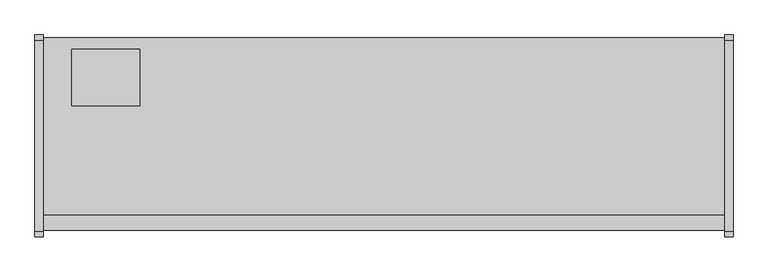
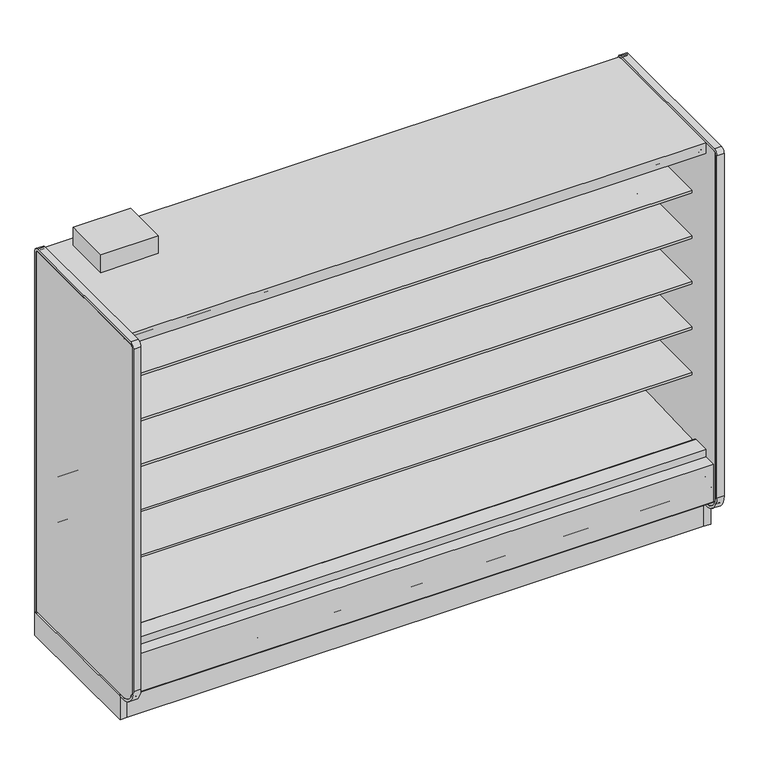
"""IFC4 building model written with IfcOpenShell, lengths in millimetres: proxy geometry."""

import ifcopenshell
import ifcopenshell.guid

model = None  # the IFC model being written
_history = None  # IfcOwnerHistory: only IFC2X3 demands one
_inside = {}  # id of a spatial element -> (the spatial element, [elements in it])
_under = {}  # id of a project, library or spatial element -> (it, [spatial elements below it])
_declared = {}  # id of a project -> (the project, [libraries it declares])
_typed = {}  # id of a type object -> (the type object, [elements of that type])
_made_of = {}  # id of a material, layer set ... -> (it, [elements and type objects made of it])


def new_model(schema):
    """Start an empty IFC model of exactly this schema.

    Asked for "IFC4X3", IfcOpenShell would pick the latest addendum, in which some entities
    have other attributes; the version numbers below select the first issue.
    IFC2X3 requires an IfcOwnerHistory on every rooted entity: one is made here for all.
    """
    global model, _history
    if schema == "IFC4X3":
        model = ifcopenshell.file(schema_version=(4, 3, 0, 0))
    else:
        model = ifcopenshell.file(schema=schema)
    _inside.clear()
    _under.clear()
    _declared.clear()
    _typed.clear()
    _made_of.clear()
    _history = None
    if model.schema == "IFC2X3":
        org = make("IfcOrganization", Name="unknown")
        user = make(
            "IfcPersonAndOrganization",
            ThePerson=make("IfcPerson", FamilyName="unknown"),
            TheOrganization=org,
        )
        app = make(
            "IfcApplication",
            ApplicationDeveloper=org,
            Version="unknown",
            ApplicationFullName="unknown",
            ApplicationIdentifier="unknown",
        )
        _history = make(
            "IfcOwnerHistory",
            OwningUser=user,
            OwningApplication=app,
            ChangeAction="ADDED",
            CreationDate=0,
        )
    return model


def make(cls, **values):
    """One entity of the class cls with the attributes given. An attribute that is None is left unset."""
    return model.create_entity(
        cls, **{name: value for name, value in values.items() if value is not None}
    )


def rooted(cls, **values):
    """An entity with a GlobalId (a new one), such as an element, a storey or a relation."""
    return make(cls, GlobalId=ifcopenshell.guid.new(), OwnerHistory=_history, **values)


def si_unit(unit_type, name, prefix=None):
    """IfcSIUnit, for example si_unit("LENGTHUNIT", "METRE", prefix="MILLI")."""
    return make("IfcSIUnit", UnitType=unit_type, Prefix=prefix, Name=name)


def assignment(units):
    """IfcUnitAssignment: the units of a project."""
    return None if units is None else make("IfcUnitAssignment", Units=units)


def point(xyz):
    """IfcCartesianPoint."""
    return None if xyz is None else make("IfcCartesianPoint", Coordinates=xyz)


def direction(xyz):
    """IfcDirection."""
    return None if xyz is None else make("IfcDirection", DirectionRatios=xyz)


def frame(location, z_axis=None, x_axis=None):
    """IfcAxis2Placement3D, a coordinate frame: its origin and axes. An axis left out is left unset."""
    return make(
        "IfcAxis2Placement3D",
        Location=point(location),
        Axis=direction(z_axis),
        RefDirection=direction(x_axis),
    )


def frame_2d(location, x_axis=None):
    """IfcAxis2Placement2D, a coordinate frame in the plane: its origin and x axis."""
    return make(
        "IfcAxis2Placement2D", Location=point(location), RefDirection=direction(x_axis)
    )


def origin():
    """The frame at (0, 0, 0) with its axes left unset."""
    return frame((0.0, 0.0, 0.0))


def origin_with_axes():
    """The frame at (0, 0, 0) with the z axis (0, 0, 1) and the x axis (1, 0, 0) written out."""
    return frame((0.0, 0.0, 0.0), z_axis=(0.0, 0.0, 1.0), x_axis=(1.0, 0.0, 0.0))


def place(relative_to, where):
    """IfcLocalPlacement: puts the frame where relative to a parent placement (None: the world)."""
    return make(
        "IfcLocalPlacement", PlacementRelTo=relative_to, RelativePlacement=where
    )


def context(
    kind, dimensions, precision=None, world=None, true_north=None, identifier=None
):
    """IfcGeometricRepresentationContext, for example the 3D "Model" context."""
    return make(
        "IfcGeometricRepresentationContext",
        ContextIdentifier=identifier,
        ContextType=kind,
        CoordinateSpaceDimension=dimensions,
        Precision=precision,
        WorldCoordinateSystem=world,
        TrueNorth=true_north,
    )


def project(units=None, contexts=None):
    """IfcProject with its units and contexts."""
    return rooted(
        "IfcProject",
        Name="project",
        RepresentationContexts=contexts,
        UnitsInContext=assignment(units),
    )


def spatial(cls, under=None, at=None, **own):
    """A site, building, storey or space (cls), placed at a placement, below another one or the project."""
    s = rooted(cls, ObjectPlacement=at, **own)
    if under is not None:
        _under.setdefault(under.id(), (under, []))[1].append(s)
    return s


def polyline(points):
    """IfcPolyline through the points."""
    return make("IfcPolyline", Points=[point(p) for p in points])


def circle_curve(where, radius):
    """IfcCircle in the frame where."""
    return make("IfcCircle", Position=where, Radius=radius)


def trimmed(basis, trim1, trim2, sense, master):
    """IfcTrimmedCurve: the piece of a basis curve between two trims."""
    return make(
        "IfcTrimmedCurve",
        BasisCurve=basis,
        Trim1=trim1,
        Trim2=trim2,
        SenseAgreement=sense,
        MasterRepresentation=master,
    )


def segment(curve, same_sense, transition):
    """IfcCompositeCurveSegment."""
    return make(
        "IfcCompositeCurveSegment",
        Transition=transition,
        SameSense=same_sense,
        ParentCurve=curve,
    )


def composite_curve(segments, self_intersect=None):
    """IfcCompositeCurve: segments joined end to end."""
    return make("IfcCompositeCurve", Segments=segments, SelfIntersect=self_intersect)


def outline(outer, holes=None, kind="AREA"):
    """IfcArbitraryClosedProfileDef: a profile drawn as a closed curve; with holes, ...WithVoids."""
    if holes is None:
        return make("IfcArbitraryClosedProfileDef", ProfileType=kind, OuterCurve=outer)
    return make(
        "IfcArbitraryProfileDefWithVoids",
        ProfileType=kind,
        OuterCurve=outer,
        InnerCurves=holes,
    )


def extrude(swept, where, along, depth):
    """IfcExtrudedAreaSolid: the profile swept, set in the frame where, extruded along a direction by depth."""
    return make(
        "IfcExtrudedAreaSolid",
        SweptArea=swept,
        Position=where,
        ExtrudedDirection=direction(along),
        Depth=depth,
    )


def shape(context_of_items, identifier, shape_type, items):
    """IfcShapeRepresentation: the items that make up one representation, for example the "Body"."""
    return make(
        "IfcShapeRepresentation",
        ContextOfItems=context_of_items,
        RepresentationIdentifier=identifier,
        RepresentationType=shape_type,
        Items=items,
    )


def source(mapping_origin, context_of_items, identifier, shape_type, items):
    """IfcRepresentationMap: a shape defined once, which mapped items show again and again."""
    return make(
        "IfcRepresentationMap",
        MappingOrigin=mapping_origin,
        MappedRepresentation=shape(context_of_items, identifier, shape_type, items),
    )


def transform(
    local_origin,
    x_axis=None,
    y_axis=None,
    z_axis=None,
    scale=None,
    scale2=None,
    scale3=None,
    uniform=True,
):
    """IfcCartesianTransformationOperator3D, or its non-uniform kind. x_axis, y_axis, z_axis: its Axis1, 2, 3."""
    if uniform:
        return make(
            "IfcCartesianTransformationOperator3D",
            Axis1=direction(x_axis),
            Axis2=direction(y_axis),
            LocalOrigin=point(local_origin),
            Scale=scale,
            Axis3=direction(z_axis),
        )
    return make(
        "IfcCartesianTransformationOperator3DnonUniform",
        Axis1=direction(x_axis),
        Axis2=direction(y_axis),
        LocalOrigin=point(local_origin),
        Scale=scale,
        Axis3=direction(z_axis),
        Scale2=scale2,
        Scale3=scale3,
    )


def mapped(mapping_source, mapping_target):
    """IfcMappedItem: shows the shape of a source again, moved by a transform."""
    return make(
        "IfcMappedItem", MappingSource=mapping_source, MappingTarget=mapping_target
    )


def made_of(thing, what):
    """Note that an element or type object is made of a material, layer set ...; save() writes the relation."""
    if what is not None:
        _made_of.setdefault(what.id(), (what, []))[1].append(thing)
    return thing


def element(
    cls,
    number,
    at=None,
    inside=None,
    cuts=None,
    type_object=None,
    material=None,
    context=None,
    identifier="Body",
    shape_type=None,
    held_by="IfcProductDefinitionShape",
    body=None,
    shapes=None,
    **own,
):
    """One element of the class cls, such as IfcWall. Its Tag is "e" and its number.

    at: its placement. inside: the storey or other place that contains it. cuts: it is an
    opening in that element (IfcRelVoidsElement). A single representation is given by context,
    identifier, shape_type and body (its items); several are given by shapes. held_by: the class
    of the entity that holds the representations. save() writes the other relations.
    """
    e = rooted(cls, Tag="e%d" % number, ObjectPlacement=at, **own)
    if body is not None:
        shapes = [shape(context, identifier, shape_type, body)]
    if shapes is not None:
        e.Representation = make(held_by, Representations=shapes)
    if inside is not None:
        _inside.setdefault(inside.id(), (inside, []))[1].append(e)
    if cuts is not None:
        rooted(
            "IfcRelVoidsElement", RelatingBuildingElement=cuts, RelatedOpeningElement=e
        )
    if type_object is not None:
        _typed.setdefault(type_object.id(), (type_object, []))[1].append(e)
    return made_of(e, material)


def aggregate(whole, parts):
    """IfcRelAggregates: a whole, such as a stair, and the parts it consists of."""
    return rooted("IfcRelAggregates", RelatingObject=whole, RelatedObjects=parts)


def save(model, path):
    """Write the relations noted so far, then the file.

    IfcRelAggregates (storeys below a building ...), IfcRelContainedInSpatialStructure (elements
    in a storey), IfcRelDefinesByType, IfcRelAssociatesMaterial and IfcRelDeclares: one each for
    every whole, place, type object, material and project.
    """
    for whole, parts in _under.values():
        aggregate(whole, parts)
    for where, things in _inside.values():
        rooted(
            "IfcRelContainedInSpatialStructure",
            RelatedElements=things,
            RelatingStructure=where,
        )
    for kind, things in _typed.values():
        rooted("IfcRelDefinesByType", RelatedObjects=things, RelatingType=kind)
    for what, things in _made_of.values():
        rooted("IfcRelAssociatesMaterial", RelatedObjects=things, RelatingMaterial=what)
    for by, libraries in _declared.values():
        rooted("IfcRelDeclares", RelatingContext=by, RelatedDefinitions=libraries)
    model.write(path)


def mechanical_equipment_4115ace8(model_context):
    return source(origin(), model_context, "Body", "SweptSolid", [
        extrude(outline(polyline([(0.0, -76.2), (0.0, 0.0), (3048.0, 0.0), (3048.0, -76.2), (0.0, -76.2)])), frame((3048.0, -1069.7024444, 2067.8753304), z_axis=(0.0, 0.08686991344759683, 0.9962196635971442), x_axis=(-1.0, 0.0, 0.0)), (0.0, 0.0, 1.0), 13.49375),
        extrude(outline(polyline([(-1116.7224764, 0.0), (-1116.7224764, 200.9830033), (-1104.0224764, 190.326438), (-1104.0224764, 0.0), (-1116.7224764, 0.0)])), frame((0.0, 0.0, 0.0), z_axis=(1.0, 0.0, 0.0), x_axis=(0.0, 1.0, 0.0)), (0.0, 0.0, 1.0), 3048.0),
        extrude(outline(composite_curve([segment(polyline([(-453.852044, 1714.883004), (-464.9599362, 1714.6666869)]), True, "CONTINUOUS"), segment(trimmed(circle_curve(frame_2d((-465.4478819, 1739.7227147)), 25.0607786), [point((-464.9599362, 1714.6666869))], [point((-481.3552045, 1720.3578055))], False, "CARTESIAN"), True, "CONTINUOUS"), segment(polyline([(-481.3552045, 1720.3578055), (-519.5769051, 1751.4410741)]), True, "CONTINUOUS"), segment(trimmed(circle_curve(frame_2d((-559.6413782, 1702.1755893)), 63.5), [point((-519.5769051, 1751.4410741))], [point((-552.7883688, 1765.304713))], True, "CARTESIAN"), True, "CONTINUOUS"), segment(polyline([(-552.7883688, 1765.304713), (-892.1960421, 1797.9152031), (-892.1960421, 1802.1995295), (-1012.652044, 1802.1995295), (-1012.652044, 1815.6932795), (-453.852044, 1815.6932795), (-453.852044, 1714.883004)]), True, "CONTINUOUS")], self_intersect=False)), frame((0.0, 0.0, 0.0), z_axis=(1.0, 0.0, 0.0), x_axis=(0.0, 1.0, 0.0)), (0.0, 0.0, 1.0), 3048.0),
        extrude(outline(composite_curve([segment(polyline([(-453.852044, 698.883004), (-464.9599362, 698.6666869)]), True, "CONTINUOUS"), segment(trimmed(circle_curve(frame_2d((-465.4478819, 723.7227147)), 25.0607786), [point((-464.9599362, 698.6666869))], [point((-481.3552045, 704.3578055))], False, "CARTESIAN"), True, "CONTINUOUS"), segment(polyline([(-481.3552045, 704.3578055), (-519.5769051, 735.4410741)]), True, "CONTINUOUS"), segment(trimmed(circle_curve(frame_2d((-559.6413782, 686.1755893)), 63.5), [point((-519.5769051, 735.4410741))], [point((-552.7883688, 749.304713))], True, "CARTESIAN"), True, "CONTINUOUS"), segment(polyline([(-552.7883688, 749.304713), (-892.1960421, 781.9152031), (-892.1960421, 786.1995295), (-1012.652044, 786.1995295), (-1012.652044, 799.6932795), (-453.852044, 799.6932795), (-453.852044, 698.883004)]), True, "CONTINUOUS")], self_intersect=False)), frame((0.0, 0.0, 0.0), z_axis=(1.0, 0.0, 0.0), x_axis=(0.0, 1.0, 0.0)), (0.0, 0.0, 1.0), 3048.0),
        extrude(outline(composite_curve([segment(polyline([(-453.852044, 952.883004), (-464.9599362, 952.6666869)]), True, "CONTINUOUS"), segment(trimmed(circle_curve(frame_2d((-465.4478819, 977.7227147)), 25.0607786), [point((-464.9599362, 952.6666869))], [point((-481.3552045, 958.3578055))], False, "CARTESIAN"), True, "CONTINUOUS"), segment(polyline([(-481.3552045, 958.3578055), (-519.5769051, 989.4410741)]), True, "CONTINUOUS"), segment(trimmed(circle_curve(frame_2d((-559.6413782, 940.1755893)), 63.5), [point((-519.5769051, 989.4410741))], [point((-552.7883688, 1003.304713))], True, "CARTESIAN"), True, "CONTINUOUS"), segment(polyline([(-552.7883688, 1003.304713), (-892.1960421, 1035.9152031), (-892.1960421, 1040.1995295), (-1012.652044, 1040.1995295), (-1012.652044, 1053.6932795), (-453.852044, 1053.6932795), (-453.852044, 952.883004)]), True, "CONTINUOUS")], self_intersect=False)), frame((0.0, 0.0, 0.0), z_axis=(1.0, 0.0, 0.0), x_axis=(0.0, 1.0, 0.0)), (0.0, 0.0, 1.0), 3048.0),
        extrude(outline(composite_curve([segment(polyline([(-453.852044, 1206.883004), (-464.9599362, 1206.6666869)]), True, "CONTINUOUS"), segment(trimmed(circle_curve(frame_2d((-465.4478819, 1231.7227147)), 25.0607786), [point((-464.9599362, 1206.6666869))], [point((-481.3552045, 1212.3578055))], False, "CARTESIAN"), True, "CONTINUOUS"), segment(polyline([(-481.3552045, 1212.3578055), (-519.5769051, 1243.4410741)]), True, "CONTINUOUS"), segment(trimmed(circle_curve(frame_2d((-559.6413782, 1194.1755893)), 63.5), [point((-519.5769051, 1243.4410741))], [point((-552.7883688, 1257.304713))], True, "CARTESIAN"), True, "CONTINUOUS"), segment(polyline([(-552.7883688, 1257.304713), (-892.1960421, 1289.9152031), (-892.1960421, 1294.1995295), (-1012.652044, 1294.1995295), (-1012.652044, 1307.6932795), (-453.852044, 1307.6932795), (-453.852044, 1206.883004)]), True, "CONTINUOUS")], self_intersect=False)), frame((0.0, 0.0, 0.0), z_axis=(1.0, 0.0, 0.0), x_axis=(0.0, 1.0, 0.0)), (0.0, 0.0, 1.0), 3048.0),
        extrude(outline(composite_curve([segment(polyline([(-453.852044, 1460.883004), (-464.9599362, 1460.6666869)]), True, "CONTINUOUS"), segment(trimmed(circle_curve(frame_2d((-465.4478819, 1485.7227147)), 25.0607786), [point((-464.9599362, 1460.6666869))], [point((-481.3552045, 1466.3578055))], False, "CARTESIAN"), True, "CONTINUOUS"), segment(polyline([(-481.3552045, 1466.3578055), (-519.5769051, 1497.4410741)]), True, "CONTINUOUS"), segment(trimmed(circle_curve(frame_2d((-559.6413782, 1448.1755893)), 63.5), [point((-519.5769051, 1497.4410741))], [point((-552.7883688, 1511.304713))], True, "CARTESIAN"), True, "CONTINUOUS"), segment(polyline([(-552.7883688, 1511.304713), (-892.1960421, 1543.9152031), (-892.1960421, 1548.1995295), (-1012.652044, 1548.1995295), (-1012.652044, 1561.6932795), (-453.852044, 1561.6932795), (-453.852044, 1460.883004)]), True, "CONTINUOUS")], self_intersect=False)), frame((0.0, 0.0, 0.0), z_axis=(1.0, 0.0, 0.0), x_axis=(0.0, 1.0, 0.0)), (0.0, 0.0, 1.0), 3048.0),
        extrude(outline(composite_curve([segment(trimmed(circle_curve(frame_2d((-1205.2112901, 192.5834383)), 3.175), [point((-1203.6237901, 189.8338076))], [point((-1208.3862901, 192.5834383))], False, "CARTESIAN"), True, "CONTINUOUS"), segment(polyline([(-1208.3862901, 192.5834383), (-1208.3862901, 404.4766923), (-1140.7995461, 404.4766923), (-1140.7995461, 389.4530238), (-1191.4362273, 389.4530238), (-1191.4362273, 263.6779615), (-1151.099162, 229.8208457), (-1203.6237901, 189.8338076)]), True, "CONTINUOUS")], self_intersect=False)), frame((0.0, 0.0, 0.0), z_axis=(1.0, 0.0, 0.0), x_axis=(0.0, 1.0, 0.0)), (0.0, 0.0, 1.0), 3048.0),
        extrude(outline(polyline([(-957.9724764, 130.5306), (-957.9724764, 0.0), (-1116.7224764, 0.0), (-1116.7224764, 200.9830033), (-1032.7605717, 130.5306), (-957.9724764, 130.5306)])), frame((0.0, 0.0, 0.0), z_axis=(1.0, 0.0, 0.0), x_axis=(0.0, 1.0, 0.0)), (0.0, 0.0, 1.0), 3048.0),
        extrude(outline(polyline([(431.8, -399.1724764), (431.8, -653.1724764), (127.0, -653.1724764), (127.0, -399.1724764), (431.8, -399.1724764)])), frame((0.0, 0.0, 2160.5892404), z_axis=(0.0, 0.0, 1.0), x_axis=(1.0, 0.0, 0.0)), (0.0, 0.0, 1.0), 100.0107596),
        extrude(outline(polyline([(-1032.7605717, 130.5306), (-1191.4362273, 263.6752841), (-1191.4362273, 389.4530238), (-1140.7995461, 389.4530238), (-1140.7995461, 291.8489814), (-1030.1279807, 198.9845117), (-1014.582444, 199.5273738), (-969.0109428, 166.5598124), (-899.9654388, 168.9709345), (-859.8822128, 202.4654113), (-402.3474764, 229.9627575), (-402.3474764, 2101.1826079), (-1140.7995461, 2101.1826079), (-1140.7995461, 2159.0), (-348.3724764, 2159.0), (-348.3724764, 130.5306), (-1032.7605717, 130.5306)])), frame((0.0, 0.0, 0.0), z_axis=(1.0, 0.0, 0.0), x_axis=(0.0, 1.0, 0.0)), (0.0, 0.0, 1.0), 3048.0),
        extrude(outline(composite_curve([segment(polyline([(-610.9918112, 2075.7826079), (-992.875881, 2075.7826079), (-992.8481892, 2077.4254758), (-1070.7201873, 2084.2158796), (-1070.7201873, 2074.3348079)]), True, "CONTINUOUS"), segment(trimmed(circle_curve(frame_2d((-1073.2601873, 2074.3348079)), 2.54), [point((-1070.7201873, 2074.3348079))], [point((-1073.2601873, 2071.7948079))], False, "CARTESIAN"), True, "CONTINUOUS"), segment(polyline([(-1073.2601873, 2071.7948079), (-1082.4803873, 2071.7948079)]), True, "CONTINUOUS"), segment(trimmed(circle_curve(frame_2d((-1082.4803873, 2074.3348079)), 2.54), [point((-1082.4803873, 2071.7948079))], [point((-1085.0203873, 2074.3348079))], False, "CARTESIAN"), True, "CONTINUOUS"), segment(polyline([(-1085.0203873, 2074.3348079), (-1085.0203873, 2094.529083)]), True, "CONTINUOUS"), segment(trimmed(circle_curve(frame_2d((-1087.5603873, 2094.529083)), 2.54), [point((-1085.0203873, 2094.529083))], [point((-1087.5603873, 2097.069083))], True, "CARTESIAN"), True, "CONTINUOUS"), segment(polyline([(-1087.5603873, 2097.069083), (-1101.5303873, 2097.069083)]), True, "CONTINUOUS"), segment(trimmed(circle_curve(frame_2d((-1101.5303873, 2099.609083)), 2.54), [point((-1101.5303873, 2097.069083))], [point((-1104.0703873, 2099.609083))], False, "CARTESIAN"), True, "CONTINUOUS"), segment(polyline([(-1104.0703873, 2099.609083), (-1104.0703873, 2101.1826079), (-402.3474764, 2101.1826079), (-402.3474764, 445.9092331), (-453.852044, 445.9092331), (-453.852044, 2075.7826079), (-610.9918112, 2075.7826079)]), True, "CONTINUOUS")], self_intersect=False)), frame((0.0, 0.0, 0.0), z_axis=(1.0, 0.0, 0.0), x_axis=(0.0, 1.0, 0.0)), (0.0, 0.0, 1.0), 3048.0),
        extrude(outline(composite_curve([segment(polyline([(-453.852044, 445.9092331), (-402.3474764, 445.9092331), (-402.3474764, 229.9627575), (-859.8822128, 202.4654113), (-899.9654388, 168.9709345), (-969.0109428, 166.5598124), (-1014.582444, 199.5273738), (-1030.1279807, 198.9845117), (-1140.7995461, 291.8489814), (-1140.7995461, 445.9478), (-1046.459444, 445.9478)]), True, "CONTINUOUS"), segment(trimmed(circle_curve(frame_2d((-1046.459444, 443.8904)), 2.0574), [point((-1046.459444, 445.9478))], [point((-1044.402044, 443.8904))], False, "CARTESIAN"), True, "CONTINUOUS"), segment(polyline([(-1044.402044, 443.8904), (-1044.402044, 423.8521774), (-453.852044, 445.9092331)]), True, "CONTINUOUS")], self_intersect=False)), frame((0.0, 0.0, 0.0), z_axis=(1.0, 0.0, 0.0), x_axis=(0.0, 1.0, 0.0)), (0.0, 0.0, 1.0), 3048.0),
        extrude(outline(polyline([(-957.9724764, 0.0), (-957.9724764, 130.5306), (-348.3724764, 130.5306), (-348.3724764, 0.0), (-394.3083324, 0.0), (-394.3083324, 74.8810382), (-886.6366205, 74.8810382), (-886.6366205, 0.0), (-957.9724764, 0.0)])), frame((0.0, 0.0, 0.0), z_axis=(1.0, 0.0, 0.0), x_axis=(0.0, 1.0, 0.0)), (0.0, 0.0, 1.0), 3048.0),
        extrude(outline(composite_curve([segment(polyline([(-1214.1946273, 2159.0), (-361.0724764, 2159.0)]), True, "CONTINUOUS"), segment(trimmed(circle_curve(frame_2d((-361.0724764, 2146.3)), 12.7), [point((-361.0724764, 2159.0))], [point((-348.3724764, 2146.3))], False, "CARTESIAN"), True, "CONTINUOUS"), segment(polyline([(-348.3724764, 2146.3), (-348.3724764, 143.2306), (-1137.9946273, 143.2306)]), True, "CONTINUOUS"), segment(trimmed(circle_curve(frame_2d((-1137.9946273, 232.1306)), 88.9), [point((-1137.9946273, 143.2306))], [point((-1226.8946273, 232.1306))], False, "CARTESIAN"), True, "CONTINUOUS"), segment(polyline([(-1226.8946273, 232.1306), (-1226.8946273, 2146.3)]), True, "CONTINUOUS"), segment(trimmed(circle_curve(frame_2d((-1214.1946273, 2146.3)), 12.7), [point((-1226.8946273, 2146.3))], [point((-1214.1946273, 2159.0))], False, "CARTESIAN"), True, "CONTINUOUS")], self_intersect=False)), frame((-38.1, 0.0, 0.0), z_axis=(1.0, 0.0, 0.0), x_axis=(0.0, 1.0, 0.0)), (0.0, 0.0, 1.0), 38.1),
        extrude(outline(composite_curve([segment(polyline([(-1239.5946273, 232.1306), (-1239.5946273, 2146.3)]), True, "CONTINUOUS"), segment(trimmed(circle_curve(frame_2d((-1214.1946273, 2146.3)), 25.4), [point((-1239.5946273, 2146.3))], [point((-1214.1946273, 2171.7))], False, "CARTESIAN"), True, "CONTINUOUS"), segment(polyline([(-1214.1946273, 2171.7), (-361.0724764, 2171.7)]), True, "CONTINUOUS"), segment(trimmed(circle_curve(frame_2d((-361.0724764, 2146.3)), 25.4), [point((-361.0724764, 2171.7))], [point((-335.6724764, 2146.3))], False, "CARTESIAN"), True, "CONTINUOUS"), segment(polyline([(-335.6724764, 2146.3), (-335.6724764, 130.5306), (-348.3724764, 130.5306), (-348.3724764, 2146.3)]), True, "CONTINUOUS"), segment(trimmed(circle_curve(frame_2d((-361.0724764, 2146.3)), 12.7), [point((-348.3724764, 2146.3))], [point((-361.0724764, 2159.0))], True, "CARTESIAN"), True, "CONTINUOUS"), segment(polyline([(-361.0724764, 2159.0), (-1214.1946273, 2159.0)]), True, "CONTINUOUS"), segment(trimmed(circle_curve(frame_2d((-1214.1946273, 2146.3)), 12.7), [point((-1214.1946273, 2159.0))], [point((-1226.8946273, 2146.3))], True, "CARTESIAN"), True, "CONTINUOUS"), segment(polyline([(-1226.8946273, 2146.3), (-1226.8946273, 232.1306)]), True, "CONTINUOUS"), segment(trimmed(circle_curve(frame_2d((-1137.9946273, 232.1306)), 88.9), [point((-1226.8946273, 232.1306))], [point((-1137.9946273, 143.2306))], True, "CARTESIAN"), True, "CONTINUOUS"), segment(polyline([(-1137.9946273, 143.2306), (-1116.7224764, 143.2306), (-1116.7224764, 130.5306), (-1137.9946273, 130.5306)]), True, "CONTINUOUS"), segment(trimmed(circle_curve(frame_2d((-1137.9946273, 232.1306)), 101.6), [point((-1137.9946273, 130.5306))], [point((-1239.5946273, 232.1306))], False, "CARTESIAN"), True, "CONTINUOUS")], self_intersect=False)), frame((-38.1, 0.0, 0.0), z_axis=(1.0, 0.0, 0.0), x_axis=(0.0, 1.0, 0.0)), (0.0, 0.0, 1.0), 38.1),
        extrude(outline(composite_curve([segment(polyline([(-1239.5946273, 232.1306), (-1239.5946273, 2146.3)]), True, "CONTINUOUS"), segment(trimmed(circle_curve(frame_2d((-1214.1946273, 2146.3)), 25.4), [point((-1239.5946273, 2146.3))], [point((-1214.1946273, 2171.7))], False, "CARTESIAN"), True, "CONTINUOUS"), segment(polyline([(-1214.1946273, 2171.7), (-361.0724764, 2171.7)]), True, "CONTINUOUS"), segment(trimmed(circle_curve(frame_2d((-361.0724764, 2146.3)), 25.4), [point((-361.0724764, 2171.7))], [point((-335.6724764, 2146.3))], False, "CARTESIAN"), True, "CONTINUOUS"), segment(polyline([(-335.6724764, 2146.3), (-335.6724764, 130.5306), (-348.3724764, 130.5306), (-348.3724764, 2146.3)]), True, "CONTINUOUS"), segment(trimmed(circle_curve(frame_2d((-361.0724764, 2146.3)), 12.7), [point((-348.3724764, 2146.3))], [point((-361.0724764, 2159.0))], True, "CARTESIAN"), True, "CONTINUOUS"), segment(polyline([(-361.0724764, 2159.0), (-1214.1946273, 2159.0)]), True, "CONTINUOUS"), segment(trimmed(circle_curve(frame_2d((-1214.1946273, 2146.3)), 12.7), [point((-1214.1946273, 2159.0))], [point((-1226.8946273, 2146.3))], True, "CARTESIAN"), True, "CONTINUOUS"), segment(polyline([(-1226.8946273, 2146.3), (-1226.8946273, 232.1306)]), True, "CONTINUOUS"), segment(trimmed(circle_curve(frame_2d((-1137.9946273, 232.1306)), 88.9), [point((-1226.8946273, 232.1306))], [point((-1137.9946273, 143.2306))], True, "CARTESIAN"), True, "CONTINUOUS"), segment(polyline([(-1137.9946273, 143.2306), (-1116.7224764, 143.2306), (-1116.7224764, 130.5306), (-1137.9946273, 130.5306)]), True, "CONTINUOUS"), segment(trimmed(circle_curve(frame_2d((-1137.9946273, 232.1306)), 101.6), [point((-1137.9946273, 130.5306))], [point((-1239.5946273, 232.1306))], False, "CARTESIAN"), True, "CONTINUOUS")], self_intersect=False)), frame((3048.0, 0.0, 0.0), z_axis=(1.0, 0.0, 0.0), x_axis=(0.0, 1.0, 0.0)), (0.0, 0.0, 1.0), 38.1),
        extrude(outline(composite_curve([segment(polyline([(-1214.1946273, 2159.0), (-361.0724764, 2159.0)]), True, "CONTINUOUS"), segment(trimmed(circle_curve(frame_2d((-361.0724764, 2146.3)), 12.7), [point((-361.0724764, 2159.0))], [point((-348.3724764, 2146.3))], False, "CARTESIAN"), True, "CONTINUOUS"), segment(polyline([(-348.3724764, 2146.3), (-348.3724764, 143.2306), (-1137.9946273, 143.2306)]), True, "CONTINUOUS"), segment(trimmed(circle_curve(frame_2d((-1137.9946273, 232.1306)), 88.9), [point((-1137.9946273, 143.2306))], [point((-1226.8946273, 232.1306))], False, "CARTESIAN"), True, "CONTINUOUS"), segment(polyline([(-1226.8946273, 232.1306), (-1226.8946273, 2146.3)]), True, "CONTINUOUS"), segment(trimmed(circle_curve(frame_2d((-1214.1946273, 2146.3)), 12.7), [point((-1226.8946273, 2146.3))], [point((-1214.1946273, 2159.0))], False, "CARTESIAN"), True, "CONTINUOUS")], self_intersect=False)), frame((3048.0, 0.0, 0.0), z_axis=(1.0, 0.0, 0.0), x_axis=(0.0, 1.0, 0.0)), (0.0, 0.0, 1.0), 38.1),
        extrude(outline(polyline([(3086.1, -335.6724764), (3086.1, -1116.7224764), (3048.0, -1116.7224764), (3048.0, -335.6724764), (3086.1, -335.6724764)])), origin_with_axes(), (0.0, 0.0, 1.0), 143.2306),
        extrude(outline(polyline([(457.2, -1044.3321273), (457.2, -1108.244384), (254.0, -1108.244384), (254.0, -1044.3321273), (457.2, -1044.3321273)])), frame((0.0, 0.0, 44.45), z_axis=(0.0, 0.0, 1.0), x_axis=(1.0, 0.0, 0.0)), (0.0, 0.0, 1.0), 6.35),
        extrude(outline(polyline([(0.0, -335.6724764), (0.0, -1116.7224764), (-38.1, -1116.7224764), (-38.1, -335.6724764), (0.0, -335.6724764)])), origin_with_axes(), (0.0, 0.0, 1.0), 130.5306),
        extrude(outline(composite_curve([segment(trimmed(circle_curve(frame_2d((1524.0, -936.3821273)), 38.1), [point((1485.9, -936.3821273))], [point((1562.1, -936.3821273))], False, "CARTESIAN"), True, "CONTINUOUS"), segment(trimmed(circle_curve(frame_2d((1524.0, -936.3821273)), 38.1), [point((1562.1, -936.3821273))], [point((1485.9, -936.3821273))], False, "CARTESIAN"), True, "CONTINUOUS")], self_intersect=False)), frame((0.0, 0.0, 61.2666507), z_axis=(0.0, 0.0, 1.0), x_axis=(1.0, 0.0, 0.0)), (0.0, 0.0, 1.0), 65.7333493),
        extrude(outline(composite_curve([segment(trimmed(circle_curve(frame_2d((1722.4375, -939.5571273)), 12.7), [point((1709.7375, -939.5571273))], [point((1735.1375, -939.5571273))], False, "CARTESIAN"), True, "CONTINUOUS"), segment(trimmed(circle_curve(frame_2d((1722.4375, -939.5571273)), 12.7), [point((1735.1375, -939.5571273))], [point((1709.7375, -939.5571273))], False, "CARTESIAN"), True, "CONTINUOUS")], self_intersect=False)), frame((0.0, 0.0, 61.2666507), z_axis=(0.0, 0.0, 1.0), x_axis=(1.0, 0.0, 0.0)), (0.0, 0.0, 1.0), 65.7333493),
        extrude(outline(composite_curve([segment(trimmed(circle_curve(frame_2d((1671.6375, -939.5571273)), 9.525), [point((1662.1125, -939.5571273))], [point((1681.1625, -939.5571273))], False, "CARTESIAN"), True, "CONTINUOUS"), segment(trimmed(circle_curve(frame_2d((1671.6375, -939.5571273)), 9.525), [point((1681.1625, -939.5571273))], [point((1662.1125, -939.5571273))], False, "CARTESIAN"), True, "CONTINUOUS")], self_intersect=False)), frame((0.0, 0.0, 61.2666507), z_axis=(0.0, 0.0, 1.0), x_axis=(1.0, 0.0, 0.0)), (0.0, 0.0, 1.0), 65.7333493),
    ])


if __name__ == "__main__":
    model = new_model("IFC4")
    model_context = context("Model", 3, world=origin())
    ifc_project = project(units=[si_unit("LENGTHUNIT", "METRE", prefix="MILLI")], contexts=[model_context])
    site = spatial("IfcSite", under=ifc_project)
    building = spatial("IfcBuilding", under=site)
    placement = place(None, origin())
    mechanical_equipment_shape = mechanical_equipment_4115ace8(model_context)
    element("IfcBuildingElementProxy", 1, Name="Mechanical Equipment", at=placement, inside=building, context=model_context, shape_type="MappedRepresentation", body=[
        mapped(mechanical_equipment_shape, transform((0.0, 0.0, 0.0), x_axis=(1.0, 0.0, 0.0), y_axis=(0.0, 1.0, 0.0), z_axis=(0.0, 0.0, 1.0))),
    ])
    save(model, "model.ifc")
